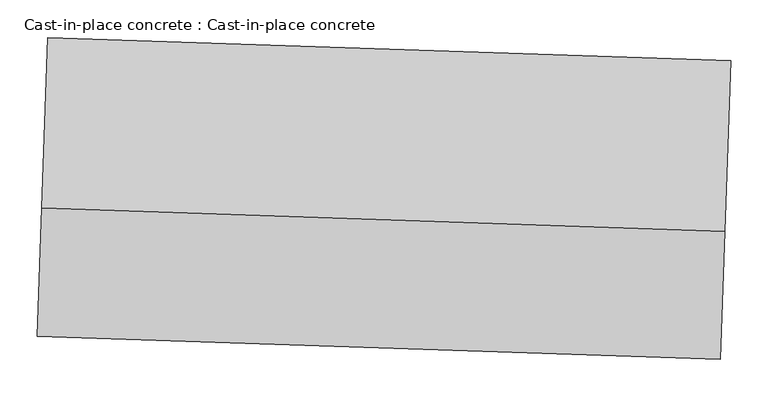
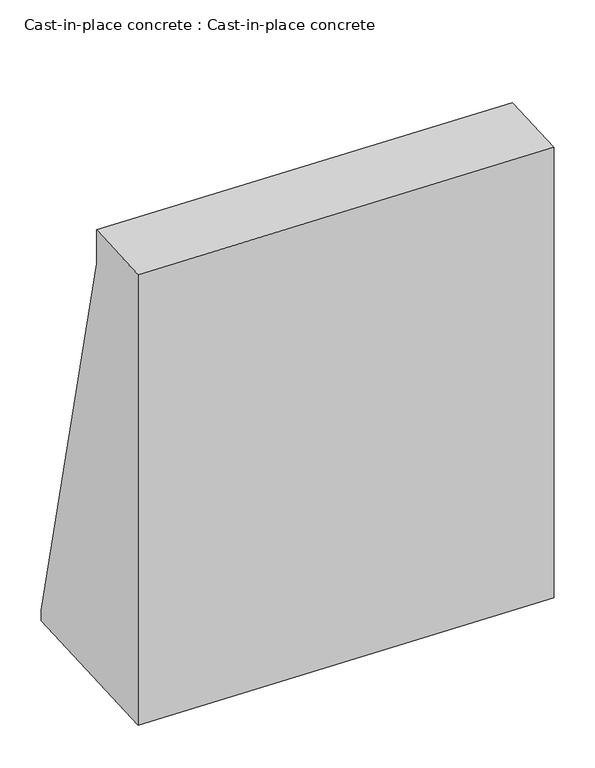
"""IFC4 building model written with IfcOpenShell, lengths in millimetres: proxy geometry, Cast-in-place concrete : Cast-in-place concrete."""

from ifc_helpers import new_model, si_unit, frame, origin, place, context, project, spatial, polyline, outline, extrude, source, transform, mapped, element, save


def cast_in_place_concrete_cast_in_place_concrete_3f352be8(model_context):
    return source(origin(), model_context, "Body", "SweptSolid", [
        extrude(outline(polyline([(0.0, 0.0), (1066.7991346, 0.0), (1066.7991346, -400.5731552), (1042.5112131, -400.5731552), (80.6426799, -171.6005653), (0.0, -171.6005653), (0.0, 0.0)])), frame((34348.0566938, -15660.9588176, 1066.7991346), z_axis=(-0.999414947893152, 0.03420178252267616, 0.0), x_axis=(0.0, 0.0, -1.0)), (0.0, 0.0, 1.0), 914.4),
    ])


if __name__ == "__main__":
    model = new_model("IFC4")
    model_context = context("Model", 3, world=origin())
    ifc_project = project(units=[si_unit("LENGTHUNIT", "METRE", prefix="MILLI")], contexts=[model_context])
    site = spatial("IfcSite", under=ifc_project)
    building = spatial("IfcBuilding", under=site)
    placement = place(None, origin())
    cast_in_place_concrete_cast_in_place_concrete_shape = cast_in_place_concrete_cast_in_place_concrete_3f352be8(model_context)
    element("IfcBuildingElementProxy", 1, Name="Cast-in-place concrete : Cast-in-place concrete", ObjectType="Cast-in-place concrete : Cast-in-place concrete", at=placement, inside=building, context=model_context, shape_type="MappedRepresentation", body=[
        mapped(cast_in_place_concrete_cast_in_place_concrete_shape, transform((0.0, 0.0, 0.0), x_axis=(1.0, 0.0, 0.0), y_axis=(0.0, 1.0, 0.0), z_axis=(0.0, 0.0, 1.0))),
    ])
    save(model, "model.ifc")
